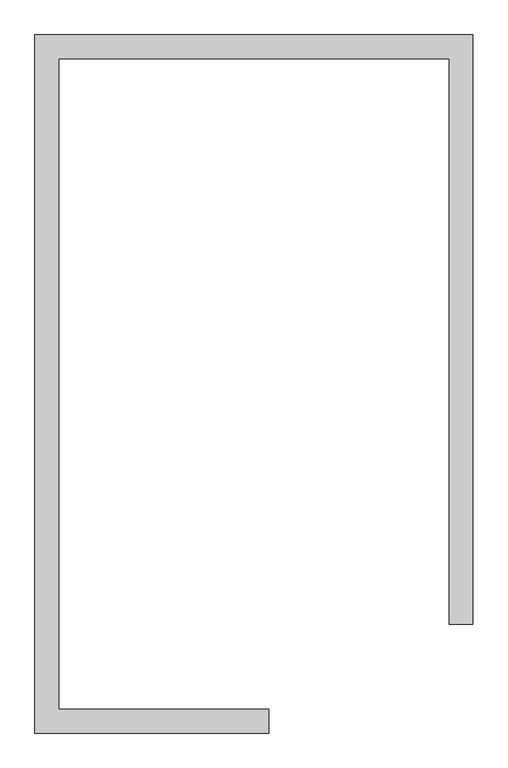
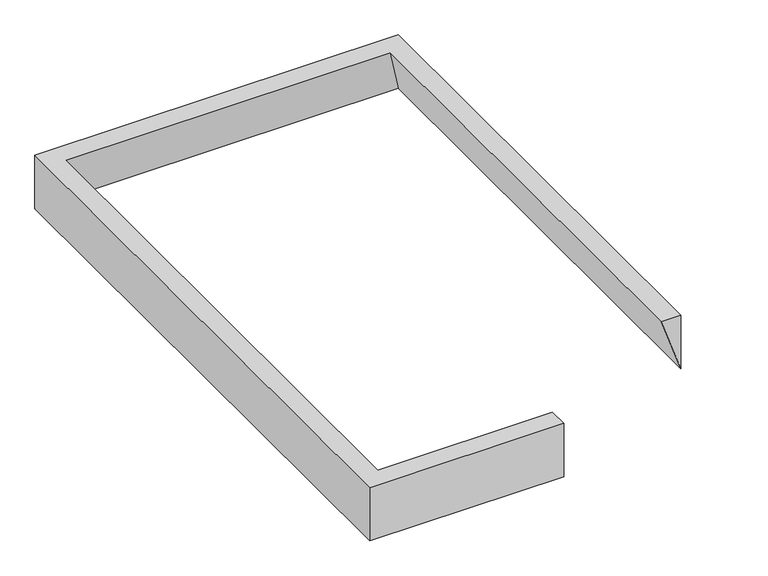
"""IFC4 building model written with IfcOpenShell, lengths in millimetres: geographic element geometry."""

from ifc_helpers import new_model, si_unit, origin, place, context, project, spatial, faceted_brep, source, transform, mapped, element, save


def geographic_element_bc06713c(model_context):
    return source(origin(), model_context, "Body", "Brep", [
        faceted_brep([(759.7088273, -1530.4497562, -600.0), (986.2152269, -1530.4497562, -1250.0), (986.2152269, -1530.4497562, -600.0), (759.7088273, 3893.0438442, -600.0), (986.2152269, 4119.5502438, -1250.0), (986.2152269, 4119.5502438, -600.0), (-3213.7847731, 4119.5502438, -600.0), (-3213.7847731, -2576.3408584, -600.0), (-970.422219, -2576.3408584, -600.0), (-970.422219, -2349.8344588, -600.0), (-2987.2783735, -2349.8344588, -600.0), (-2987.2783735, 3893.0438442, -600.0), (-3213.7847731, 4119.5502438, -1250.0), (-3213.7847731, -2576.3408584, -1250.0), (-970.422219, -2576.3408584, -1250.0)], [[[0, 1, 2]], [[1, 0, 3, 4]], [[2, 1, 4, 5]], [[0, 2, 5, 6, 7, 8, 9, 10, 11, 3]], [[4, 3, 11, 12]], [[5, 4, 12, 6]], [[12, 11, 10, 13]], [[6, 12, 13, 7]], [[9, 8, 14]], [[13, 10, 9, 14]], [[7, 13, 14, 8]]]),
    ])


if __name__ == "__main__":
    model = new_model("IFC4")
    model_context = context("Model", 3, world=origin())
    ifc_project = project(units=[si_unit("LENGTHUNIT", "METRE", prefix="MILLI")], contexts=[model_context])
    site = spatial("IfcSite", under=ifc_project)
    building = spatial("IfcBuilding", under=site)
    placement = place(None, origin())
    geographic_element_shape = geographic_element_bc06713c(model_context)
    element("IfcGeographicElement", 1, at=placement, inside=building, context=model_context, shape_type="MappedRepresentation", body=[
        mapped(geographic_element_shape, transform((0.0, 0.0, 0.0), x_axis=(1.0, 0.0, 0.0), y_axis=(0.0, 1.0, 0.0), z_axis=(0.0, 0.0, 1.0))),
    ])
    save(model, "model.ifc")
